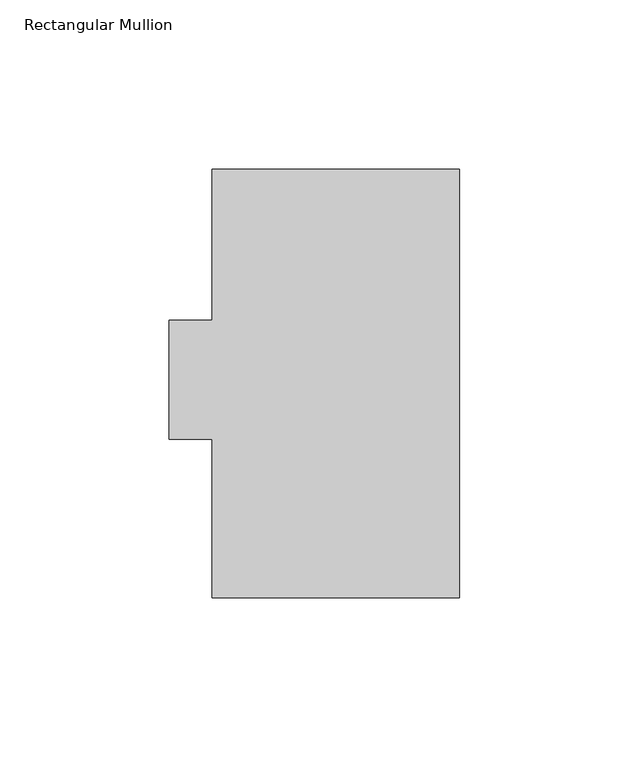
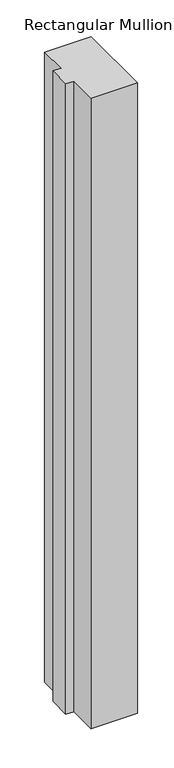
"""IFC4 building model written with IfcOpenShell, lengths in millimetres: member geometry, Rectangular Mullion."""

from ifc_helpers import new_model, si_unit, frame, origin, place, context, project, spatial, polyline, outline, extrude, source, transform, mapped, element, save


def rectangular_mullion_886f1a0f(model_context):
    return source(origin(), model_context, "Body", "SweptSolid", [
        extrude(outline(polyline([(-73.025, 126.75235), (0.0, 126.75235), (0.0, 0.26035), (-73.025, 0.26035), (-73.025, 47.12335), (-85.725, 47.12335), (-85.725, 82.30235), (-73.025, 82.30235), (-73.025, 126.75235)])), frame((0.0, 0.0, -1047.75), z_axis=(0.0, 0.0, 1.0), x_axis=(1.0, 0.0, 0.0)), (0.0, 0.0, 1.0), 1047.75),
    ])


if __name__ == "__main__":
    model = new_model("IFC4")
    model_context = context("Model", 3, world=origin())
    ifc_project = project(units=[si_unit("LENGTHUNIT", "METRE", prefix="MILLI")], contexts=[model_context])
    site = spatial("IfcSite", under=ifc_project)
    building = spatial("IfcBuilding", under=site)
    placement = place(None, origin())
    rectangular_mullion_shape = rectangular_mullion_886f1a0f(model_context)
    element("IfcMember", 1, ObjectType="Rectangular Mullion", at=placement, inside=building, context=model_context, shape_type="MappedRepresentation", body=[
        mapped(rectangular_mullion_shape, transform((0.0, 0.0, 0.0), x_axis=(1.0, 0.0, 0.0), y_axis=(0.0, 1.0, 0.0), z_axis=(0.0, 0.0, 1.0))),
    ])
    save(model, "model.ifc")
